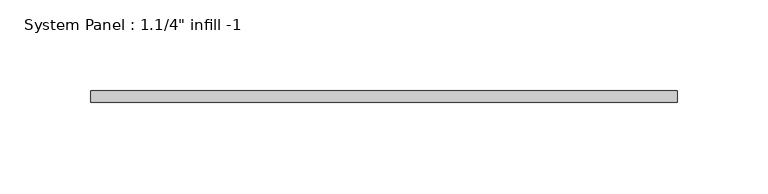
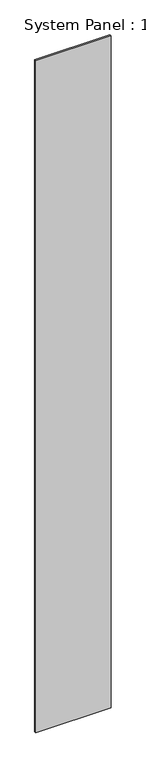
"""IFC4 building model written with IfcOpenShell, lengths in millimetres: plate geometry."""

from ifc_helpers import new_model, si_unit, origin, origin_with_axes, place, context, project, spatial, polyline, outline, extrude, source, transform, mapped, element, save


def plate_cdeaf494(model_context):
    return source(origin(), model_context, "Body", "SweptSolid", [
        extrude(outline(polyline([(161.925, 0.0), (-161.925, 0.0), (-161.925, 6.35), (161.925, 6.35), (161.925, 0.0)])), origin_with_axes(), (0.0, 0.0, 1.0), 3048.0),
    ])


if __name__ == "__main__":
    model = new_model("IFC4")
    model_context = context("Model", 3, world=origin())
    ifc_project = project(units=[si_unit("LENGTHUNIT", "METRE", prefix="MILLI")], contexts=[model_context])
    site = spatial("IfcSite", under=ifc_project)
    building = spatial("IfcBuilding", under=site)
    placement = place(None, origin())
    plate_shape = plate_cdeaf494(model_context)
    element("IfcPlate", 1, ObjectType="System Panel : 1.1/4\" infill -1", at=placement, inside=building, context=model_context, shape_type="MappedRepresentation", body=[
        mapped(plate_shape, transform((0.0, 0.0, 0.0), x_axis=(1.0, 0.0, 0.0), y_axis=(0.0, 1.0, 0.0), z_axis=(0.0, 0.0, 1.0))),
    ])
    save(model, "model.ifc")
